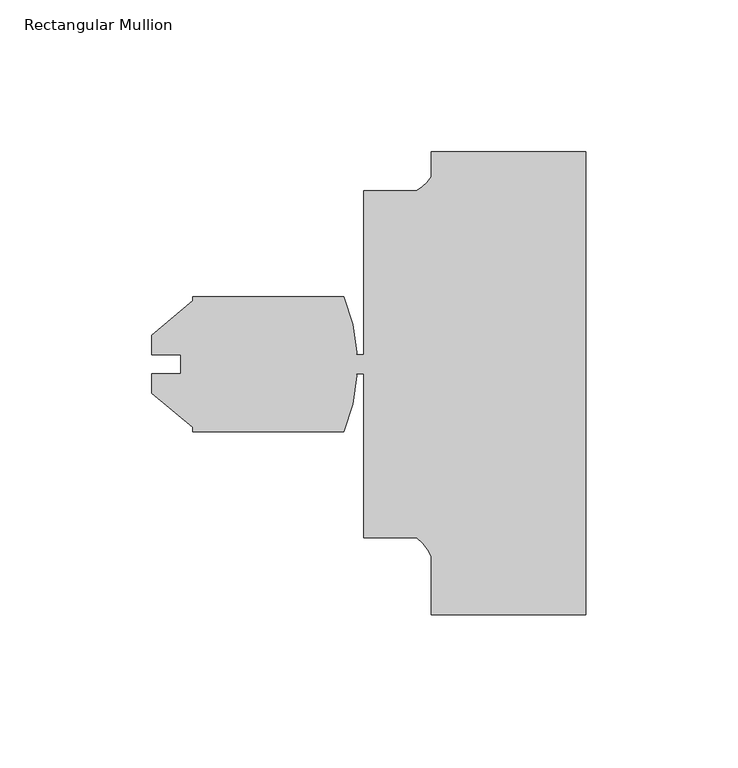
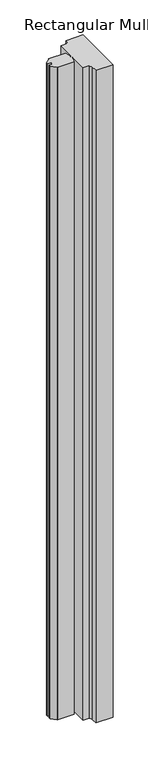
"""IFC4 building model written with IfcOpenShell, lengths in millimetres: member geometry, Rectangular Mullion."""

import ifcopenshell
import ifcopenshell.guid

model = None  # the IFC model being written
_history = None  # IfcOwnerHistory: only IFC2X3 demands one
_inside = {}  # id of a spatial element -> (the spatial element, [elements in it])
_under = {}  # id of a project, library or spatial element -> (it, [spatial elements below it])
_declared = {}  # id of a project -> (the project, [libraries it declares])
_typed = {}  # id of a type object -> (the type object, [elements of that type])
_made_of = {}  # id of a material, layer set ... -> (it, [elements and type objects made of it])


def new_model(schema):
    """Start an empty IFC model of exactly this schema.

    Asked for "IFC4X3", IfcOpenShell would pick the latest addendum, in which some entities
    have other attributes; the version numbers below select the first issue.
    IFC2X3 requires an IfcOwnerHistory on every rooted entity: one is made here for all.
    """
    global model, _history
    if schema == "IFC4X3":
        model = ifcopenshell.file(schema_version=(4, 3, 0, 0))
    else:
        model = ifcopenshell.file(schema=schema)
    _inside.clear()
    _under.clear()
    _declared.clear()
    _typed.clear()
    _made_of.clear()
    _history = None
    if model.schema == "IFC2X3":
        org = make("IfcOrganization", Name="unknown")
        user = make(
            "IfcPersonAndOrganization",
            ThePerson=make("IfcPerson", FamilyName="unknown"),
            TheOrganization=org,
        )
        app = make(
            "IfcApplication",
            ApplicationDeveloper=org,
            Version="unknown",
            ApplicationFullName="unknown",
            ApplicationIdentifier="unknown",
        )
        _history = make(
            "IfcOwnerHistory",
            OwningUser=user,
            OwningApplication=app,
            ChangeAction="ADDED",
            CreationDate=0,
        )
    return model


def make(cls, **values):
    """One entity of the class cls with the attributes given. An attribute that is None is left unset."""
    return model.create_entity(
        cls, **{name: value for name, value in values.items() if value is not None}
    )


def rooted(cls, **values):
    """An entity with a GlobalId (a new one), such as an element, a storey or a relation."""
    return make(cls, GlobalId=ifcopenshell.guid.new(), OwnerHistory=_history, **values)


def si_unit(unit_type, name, prefix=None):
    """IfcSIUnit, for example si_unit("LENGTHUNIT", "METRE", prefix="MILLI")."""
    return make("IfcSIUnit", UnitType=unit_type, Prefix=prefix, Name=name)


def assignment(units):
    """IfcUnitAssignment: the units of a project."""
    return None if units is None else make("IfcUnitAssignment", Units=units)


def point(xyz):
    """IfcCartesianPoint."""
    return None if xyz is None else make("IfcCartesianPoint", Coordinates=xyz)


def direction(xyz):
    """IfcDirection."""
    return None if xyz is None else make("IfcDirection", DirectionRatios=xyz)


def frame(location, z_axis=None, x_axis=None):
    """IfcAxis2Placement3D, a coordinate frame: its origin and axes. An axis left out is left unset."""
    return make(
        "IfcAxis2Placement3D",
        Location=point(location),
        Axis=direction(z_axis),
        RefDirection=direction(x_axis),
    )


def frame_2d(location, x_axis=None):
    """IfcAxis2Placement2D, a coordinate frame in the plane: its origin and x axis."""
    return make(
        "IfcAxis2Placement2D", Location=point(location), RefDirection=direction(x_axis)
    )


def origin():
    """The frame at (0, 0, 0) with its axes left unset."""
    return frame((0.0, 0.0, 0.0))


def place(relative_to, where):
    """IfcLocalPlacement: puts the frame where relative to a parent placement (None: the world)."""
    return make(
        "IfcLocalPlacement", PlacementRelTo=relative_to, RelativePlacement=where
    )


def context(
    kind, dimensions, precision=None, world=None, true_north=None, identifier=None
):
    """IfcGeometricRepresentationContext, for example the 3D "Model" context."""
    return make(
        "IfcGeometricRepresentationContext",
        ContextIdentifier=identifier,
        ContextType=kind,
        CoordinateSpaceDimension=dimensions,
        Precision=precision,
        WorldCoordinateSystem=world,
        TrueNorth=true_north,
    )


def project(units=None, contexts=None):
    """IfcProject with its units and contexts."""
    return rooted(
        "IfcProject",
        Name="project",
        RepresentationContexts=contexts,
        UnitsInContext=assignment(units),
    )


def spatial(cls, under=None, at=None, **own):
    """A site, building, storey or space (cls), placed at a placement, below another one or the project."""
    s = rooted(cls, ObjectPlacement=at, **own)
    if under is not None:
        _under.setdefault(under.id(), (under, []))[1].append(s)
    return s


def polyline(points):
    """IfcPolyline through the points."""
    return make("IfcPolyline", Points=[point(p) for p in points])


def circle_curve(where, radius):
    """IfcCircle in the frame where."""
    return make("IfcCircle", Position=where, Radius=radius)


def trimmed(basis, trim1, trim2, sense, master):
    """IfcTrimmedCurve: the piece of a basis curve between two trims."""
    return make(
        "IfcTrimmedCurve",
        BasisCurve=basis,
        Trim1=trim1,
        Trim2=trim2,
        SenseAgreement=sense,
        MasterRepresentation=master,
    )


def segment(curve, same_sense, transition):
    """IfcCompositeCurveSegment."""
    return make(
        "IfcCompositeCurveSegment",
        Transition=transition,
        SameSense=same_sense,
        ParentCurve=curve,
    )


def composite_curve(segments, self_intersect=None):
    """IfcCompositeCurve: segments joined end to end."""
    return make("IfcCompositeCurve", Segments=segments, SelfIntersect=self_intersect)


def outline(outer, holes=None, kind="AREA"):
    """IfcArbitraryClosedProfileDef: a profile drawn as a closed curve; with holes, ...WithVoids."""
    if holes is None:
        return make("IfcArbitraryClosedProfileDef", ProfileType=kind, OuterCurve=outer)
    return make(
        "IfcArbitraryProfileDefWithVoids",
        ProfileType=kind,
        OuterCurve=outer,
        InnerCurves=holes,
    )


def extrude(swept, where, along, depth):
    """IfcExtrudedAreaSolid: the profile swept, set in the frame where, extruded along a direction by depth."""
    return make(
        "IfcExtrudedAreaSolid",
        SweptArea=swept,
        Position=where,
        ExtrudedDirection=direction(along),
        Depth=depth,
    )


def shape(context_of_items, identifier, shape_type, items):
    """IfcShapeRepresentation: the items that make up one representation, for example the "Body"."""
    return make(
        "IfcShapeRepresentation",
        ContextOfItems=context_of_items,
        RepresentationIdentifier=identifier,
        RepresentationType=shape_type,
        Items=items,
    )


def source(mapping_origin, context_of_items, identifier, shape_type, items):
    """IfcRepresentationMap: a shape defined once, which mapped items show again and again."""
    return make(
        "IfcRepresentationMap",
        MappingOrigin=mapping_origin,
        MappedRepresentation=shape(context_of_items, identifier, shape_type, items),
    )


def transform(
    local_origin,
    x_axis=None,
    y_axis=None,
    z_axis=None,
    scale=None,
    scale2=None,
    scale3=None,
    uniform=True,
):
    """IfcCartesianTransformationOperator3D, or its non-uniform kind. x_axis, y_axis, z_axis: its Axis1, 2, 3."""
    if uniform:
        return make(
            "IfcCartesianTransformationOperator3D",
            Axis1=direction(x_axis),
            Axis2=direction(y_axis),
            LocalOrigin=point(local_origin),
            Scale=scale,
            Axis3=direction(z_axis),
        )
    return make(
        "IfcCartesianTransformationOperator3DnonUniform",
        Axis1=direction(x_axis),
        Axis2=direction(y_axis),
        LocalOrigin=point(local_origin),
        Scale=scale,
        Axis3=direction(z_axis),
        Scale2=scale2,
        Scale3=scale3,
    )


def mapped(mapping_source, mapping_target):
    """IfcMappedItem: shows the shape of a source again, moved by a transform."""
    return make(
        "IfcMappedItem", MappingSource=mapping_source, MappingTarget=mapping_target
    )


def made_of(thing, what):
    """Note that an element or type object is made of a material, layer set ...; save() writes the relation."""
    if what is not None:
        _made_of.setdefault(what.id(), (what, []))[1].append(thing)
    return thing


def element(
    cls,
    number,
    at=None,
    inside=None,
    cuts=None,
    type_object=None,
    material=None,
    context=None,
    identifier="Body",
    shape_type=None,
    held_by="IfcProductDefinitionShape",
    body=None,
    shapes=None,
    **own,
):
    """One element of the class cls, such as IfcWall. Its Tag is "e" and its number.

    at: its placement. inside: the storey or other place that contains it. cuts: it is an
    opening in that element (IfcRelVoidsElement). A single representation is given by context,
    identifier, shape_type and body (its items); several are given by shapes. held_by: the class
    of the entity that holds the representations. save() writes the other relations.
    """
    e = rooted(cls, Tag="e%d" % number, ObjectPlacement=at, **own)
    if body is not None:
        shapes = [shape(context, identifier, shape_type, body)]
    if shapes is not None:
        e.Representation = make(held_by, Representations=shapes)
    if inside is not None:
        _inside.setdefault(inside.id(), (inside, []))[1].append(e)
    if cuts is not None:
        rooted(
            "IfcRelVoidsElement", RelatingBuildingElement=cuts, RelatedOpeningElement=e
        )
    if type_object is not None:
        _typed.setdefault(type_object.id(), (type_object, []))[1].append(e)
    return made_of(e, material)


def aggregate(whole, parts):
    """IfcRelAggregates: a whole, such as a stair, and the parts it consists of."""
    return rooted("IfcRelAggregates", RelatingObject=whole, RelatedObjects=parts)


def save(model, path):
    """Write the relations noted so far, then the file.

    IfcRelAggregates (storeys below a building ...), IfcRelContainedInSpatialStructure (elements
    in a storey), IfcRelDefinesByType, IfcRelAssociatesMaterial and IfcRelDeclares: one each for
    every whole, place, type object, material and project.
    """
    for whole, parts in _under.values():
        aggregate(whole, parts)
    for where, things in _inside.values():
        rooted(
            "IfcRelContainedInSpatialStructure",
            RelatedElements=things,
            RelatingStructure=where,
        )
    for kind, things in _typed.values():
        rooted("IfcRelDefinesByType", RelatedObjects=things, RelatingType=kind)
    for what, things in _made_of.values():
        rooted("IfcRelAssociatesMaterial", RelatedObjects=things, RelatingMaterial=what)
    for by, libraries in _declared.values():
        rooted("IfcRelDeclares", RelatingContext=by, RelatedDefinitions=libraries)
    model.write(path)


def rectangular_mullion_2ab967df(model_context):
    return source(origin(), model_context, "Body", "SweptSolid", [
        extrude(outline(composite_curve([segment(polyline([(-50.8000102, 0.0), (0.0, 0.0), (0.0, -152.4), (-50.8, -152.4), (-50.8, -133.228246)]), True, "CONTINUOUS"), segment(trimmed(circle_curve(frame_2d((-64.9144624, -139.281361)), 15.3576772), [point((-50.8, -133.228246))], [point((-55.6934851, -127.0))], True, "CARTESIAN"), True, "CONTINUOUS"), segment(polyline([(-55.6934851, -127.0), (-73.025, -127.0), (-73.025, -73.0249987), (-75.8770619, -73.0249987)]), True, "CONTINUOUS"), segment(trimmed(circle_curve(frame_2d((-75.9833903, -73.6203947)), 0.6048158), [point((-75.8770619, -73.0249987))], [point((-75.3829555, -73.6930592))], False, "CARTESIAN"), True, "CONTINUOUS"), segment(trimmed(circle_curve(frame_2d((-133.9818721, -69.85)), 58.7248), [point((-75.3829555, -73.6930592))], [point((-79.6251659, -92.075))], False, "CARTESIAN"), True, "CONTINUOUS"), segment(polyline([(-79.6251659, -92.075), (-129.3471699, -92.075), (-129.3471699, -90.6782933), (-142.8091699, -79.382334), (-142.8091699, -73.0120621), (-133.3286199, -73.0120621), (-133.3286199, -66.6879379), (-142.8091699, -66.6879379), (-142.8091699, -60.317666), (-129.3471699, -49.0217067), (-129.3471699, -47.625), (-79.6251659, -47.625)]), True, "CONTINUOUS"), segment(trimmed(circle_curve(frame_2d((-133.9818721, -69.85)), 58.7248), [point((-79.6251659, -47.625))], [point((-75.3829555, -66.0069408))], False, "CARTESIAN"), True, "CONTINUOUS"), segment(trimmed(circle_curve(frame_2d((-75.9833903, -66.0796053)), 0.6048158), [point((-75.3829555, -66.0069408))], [point((-75.8770619, -66.6750013))], False, "CARTESIAN"), True, "CONTINUOUS"), segment(polyline([(-75.8770619, -66.6750013), (-73.025, -66.6750013), (-73.025, -12.7), (-55.7723453, -12.7)]), True, "CONTINUOUS"), segment(trimmed(circle_curve(frame_2d((-62.7094465, -0.1243368)), 14.3621265), [point((-55.7723453, -12.7))], [point((-50.8000102, -8.1515407))], True, "CARTESIAN"), True, "CONTINUOUS"), segment(polyline([(-50.8000102, -8.1515407), (-50.8000102, 0.0)]), True, "CONTINUOUS")], self_intersect=False)), frame((0.0, 0.0, -2032.0), z_axis=(0.0, 0.0, 1.0), x_axis=(1.0, 0.0, 0.0)), (0.0, 0.0, 1.0), 2032.0),
    ])


if __name__ == "__main__":
    model = new_model("IFC4")
    model_context = context("Model", 3, world=origin())
    ifc_project = project(units=[si_unit("LENGTHUNIT", "METRE", prefix="MILLI")], contexts=[model_context])
    site = spatial("IfcSite", under=ifc_project)
    building = spatial("IfcBuilding", under=site)
    placement = place(None, origin())
    rectangular_mullion_shape = rectangular_mullion_2ab967df(model_context)
    element("IfcMember", 1, ObjectType="Rectangular Mullion", at=placement, inside=building, context=model_context, shape_type="MappedRepresentation", body=[
        mapped(rectangular_mullion_shape, transform((0.0, 0.0, 0.0), x_axis=(1.0, 0.0, 0.0), y_axis=(0.0, 1.0, 0.0), z_axis=(0.0, 0.0, 1.0))),
    ])
    save(model, "model.ifc")
